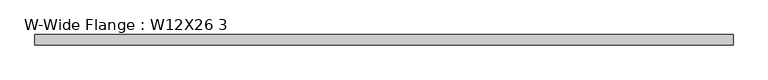
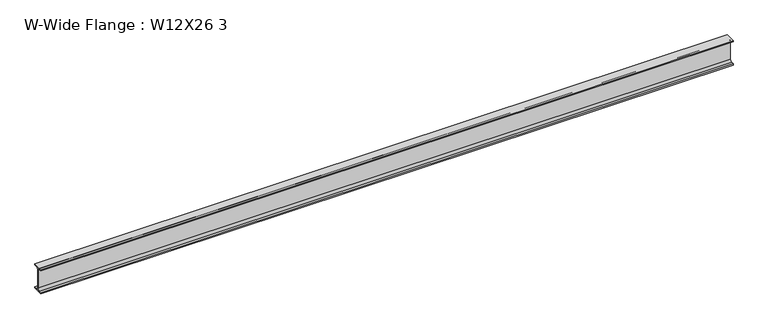
"""IFC4 building model written with IfcOpenShell, lengths in millimetres: beam geometry, W-Wide Flange : W12X26 3."""

from ifc_helpers import new_model, si_unit, point, frame, frame_2d, origin, place, context, project, spatial, polyline, circle_curve, trimmed, segment, composite_curve, outline, extrude, source, transform, mapped, element, save


def w_wide_flange_w12x26_3_37d97a17(model_context):
    return source(origin(), model_context, "Body", "SweptSolid", [
        extrude(outline(composite_curve([segment(polyline([(40.0, -90.3757813), (40.0, -100.0), (-40.0, -100.0), (-40.0, -90.3757813), (-20.2902344, -90.3757813)]), True, "CONTINUOUS"), segment(trimmed(circle_curve(frame_2d((-20.2902344, -73.0125)), 17.3632813), [point((-20.2902344, -90.3757813))], [point((-2.9269531, -73.0125))], True, "CARTESIAN"), True, "CONTINUOUS"), segment(polyline([(-2.9269531, -73.0125), (-2.9269531, 73.0125)]), True, "CONTINUOUS"), segment(trimmed(circle_curve(frame_2d((-20.2902344, 73.0125)), 17.3632812), [point((-2.9269531, 73.0125))], [point((-20.2902344, 90.3757812))], True, "CARTESIAN"), True, "CONTINUOUS"), segment(polyline([(-20.2902344, 90.3757812), (-40.0, 90.3757812), (-40.0, 100.0), (40.0, 100.0), (40.0, 90.3757812), (20.2902344, 90.3757812)]), True, "CONTINUOUS"), segment(trimmed(circle_curve(frame_2d((20.2902344, 73.0125)), 17.3632812), [point((20.2902344, 90.3757812))], [point((2.9269531, 73.0125))], True, "CARTESIAN"), True, "CONTINUOUS"), segment(polyline([(2.9269531, 73.0125), (2.9269531, -73.0125)]), True, "CONTINUOUS"), segment(trimmed(circle_curve(frame_2d((20.2902344, -73.0125)), 17.3632812), [point((2.9269531, -73.0125))], [point((20.2902344, -90.3757813))], True, "CARTESIAN"), True, "CONTINUOUS"), segment(polyline([(20.2902344, -90.3757813), (40.0, -90.3757813)]), True, "CONTINUOUS")], self_intersect=False)), frame((-2762.7, 0.0, 0.0), z_axis=(1.0, 0.0, 0.0), x_axis=(0.0, 1.0, 0.0)), (0.0, 0.0, 1.0), 5385.7),
    ])


if __name__ == "__main__":
    model = new_model("IFC4")
    model_context = context("Model", 3, world=origin())
    ifc_project = project(units=[si_unit("LENGTHUNIT", "METRE", prefix="MILLI")], contexts=[model_context])
    site = spatial("IfcSite", under=ifc_project)
    building = spatial("IfcBuilding", under=site)
    placement = place(None, origin())
    w_wide_flange_w12x26_3_shape = w_wide_flange_w12x26_3_37d97a17(model_context)
    element("IfcBeam", 1, ObjectType="W-Wide Flange : W12X26 3", at=placement, inside=building, context=model_context, shape_type="MappedRepresentation", body=[
        mapped(w_wide_flange_w12x26_3_shape, transform((0.0, 0.0, 0.0), x_axis=(1.0, 0.0, 0.0), y_axis=(0.0, 1.0, 0.0), z_axis=(0.0, 0.0, 1.0))),
    ])
    save(model, "model.ifc")
